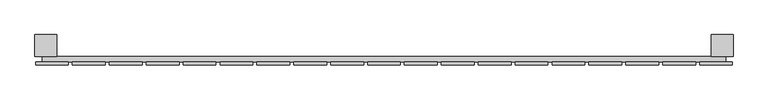
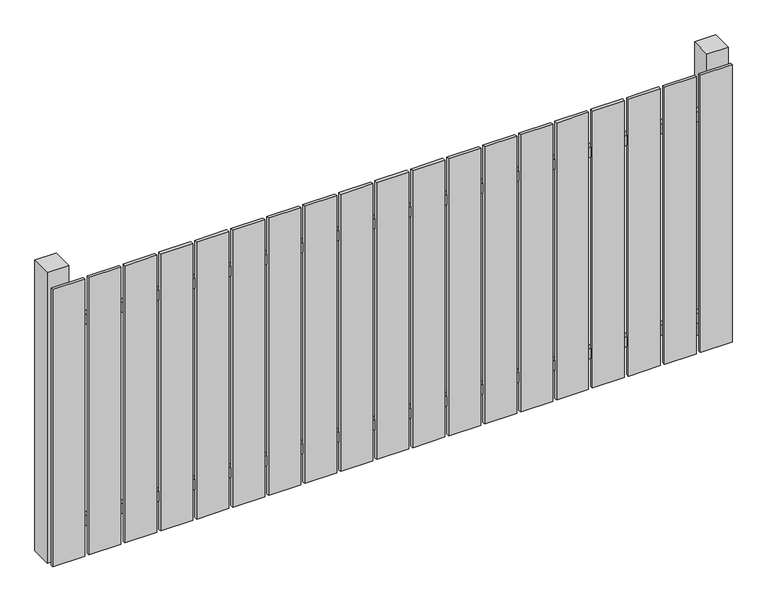
"""IFC4 building model written with IfcOpenShell, lengths in millimetres: railing geometry."""

import ifcopenshell
import ifcopenshell.guid

model = None  # the IFC model being written
_history = None  # IfcOwnerHistory: only IFC2X3 demands one
_inside = {}  # id of a spatial element -> (the spatial element, [elements in it])
_under = {}  # id of a project, library or spatial element -> (it, [spatial elements below it])
_declared = {}  # id of a project -> (the project, [libraries it declares])
_typed = {}  # id of a type object -> (the type object, [elements of that type])
_made_of = {}  # id of a material, layer set ... -> (it, [elements and type objects made of it])


def new_model(schema):
    """Start an empty IFC model of exactly this schema.

    Asked for "IFC4X3", IfcOpenShell would pick the latest addendum, in which some entities
    have other attributes; the version numbers below select the first issue.
    IFC2X3 requires an IfcOwnerHistory on every rooted entity: one is made here for all.
    """
    global model, _history
    if schema == "IFC4X3":
        model = ifcopenshell.file(schema_version=(4, 3, 0, 0))
    else:
        model = ifcopenshell.file(schema=schema)
    _inside.clear()
    _under.clear()
    _declared.clear()
    _typed.clear()
    _made_of.clear()
    _history = None
    if model.schema == "IFC2X3":
        org = make("IfcOrganization", Name="unknown")
        user = make(
            "IfcPersonAndOrganization",
            ThePerson=make("IfcPerson", FamilyName="unknown"),
            TheOrganization=org,
        )
        app = make(
            "IfcApplication",
            ApplicationDeveloper=org,
            Version="unknown",
            ApplicationFullName="unknown",
            ApplicationIdentifier="unknown",
        )
        _history = make(
            "IfcOwnerHistory",
            OwningUser=user,
            OwningApplication=app,
            ChangeAction="ADDED",
            CreationDate=0,
        )
    return model


def make(cls, **values):
    """One entity of the class cls with the attributes given. An attribute that is None is left unset."""
    return model.create_entity(
        cls, **{name: value for name, value in values.items() if value is not None}
    )


def rooted(cls, **values):
    """An entity with a GlobalId (a new one), such as an element, a storey or a relation."""
    return make(cls, GlobalId=ifcopenshell.guid.new(), OwnerHistory=_history, **values)


def si_unit(unit_type, name, prefix=None):
    """IfcSIUnit, for example si_unit("LENGTHUNIT", "METRE", prefix="MILLI")."""
    return make("IfcSIUnit", UnitType=unit_type, Prefix=prefix, Name=name)


def assignment(units):
    """IfcUnitAssignment: the units of a project."""
    return None if units is None else make("IfcUnitAssignment", Units=units)


def point(xyz):
    """IfcCartesianPoint."""
    return None if xyz is None else make("IfcCartesianPoint", Coordinates=xyz)


def direction(xyz):
    """IfcDirection."""
    return None if xyz is None else make("IfcDirection", DirectionRatios=xyz)


def frame(location, z_axis=None, x_axis=None):
    """IfcAxis2Placement3D, a coordinate frame: its origin and axes. An axis left out is left unset."""
    return make(
        "IfcAxis2Placement3D",
        Location=point(location),
        Axis=direction(z_axis),
        RefDirection=direction(x_axis),
    )


def origin():
    """The frame at (0, 0, 0) with its axes left unset."""
    return frame((0.0, 0.0, 0.0))


def origin_with_axes():
    """The frame at (0, 0, 0) with the z axis (0, 0, 1) and the x axis (1, 0, 0) written out."""
    return frame((0.0, 0.0, 0.0), z_axis=(0.0, 0.0, 1.0), x_axis=(1.0, 0.0, 0.0))


def place(relative_to, where):
    """IfcLocalPlacement: puts the frame where relative to a parent placement (None: the world)."""
    return make(
        "IfcLocalPlacement", PlacementRelTo=relative_to, RelativePlacement=where
    )


def context(
    kind, dimensions, precision=None, world=None, true_north=None, identifier=None
):
    """IfcGeometricRepresentationContext, for example the 3D "Model" context."""
    return make(
        "IfcGeometricRepresentationContext",
        ContextIdentifier=identifier,
        ContextType=kind,
        CoordinateSpaceDimension=dimensions,
        Precision=precision,
        WorldCoordinateSystem=world,
        TrueNorth=true_north,
    )


def project(units=None, contexts=None):
    """IfcProject with its units and contexts."""
    return rooted(
        "IfcProject",
        Name="project",
        RepresentationContexts=contexts,
        UnitsInContext=assignment(units),
    )


def spatial(cls, under=None, at=None, **own):
    """A site, building, storey or space (cls), placed at a placement, below another one or the project."""
    s = rooted(cls, ObjectPlacement=at, **own)
    if under is not None:
        _under.setdefault(under.id(), (under, []))[1].append(s)
    return s


def polyline(points):
    """IfcPolyline through the points."""
    return make("IfcPolyline", Points=[point(p) for p in points])


def outline(outer, holes=None, kind="AREA"):
    """IfcArbitraryClosedProfileDef: a profile drawn as a closed curve; with holes, ...WithVoids."""
    if holes is None:
        return make("IfcArbitraryClosedProfileDef", ProfileType=kind, OuterCurve=outer)
    return make(
        "IfcArbitraryProfileDefWithVoids",
        ProfileType=kind,
        OuterCurve=outer,
        InnerCurves=holes,
    )


def extrude(swept, where, along, depth):
    """IfcExtrudedAreaSolid: the profile swept, set in the frame where, extruded along a direction by depth."""
    return make(
        "IfcExtrudedAreaSolid",
        SweptArea=swept,
        Position=where,
        ExtrudedDirection=direction(along),
        Depth=depth,
    )


def shape(context_of_items, identifier, shape_type, items):
    """IfcShapeRepresentation: the items that make up one representation, for example the "Body"."""
    return make(
        "IfcShapeRepresentation",
        ContextOfItems=context_of_items,
        RepresentationIdentifier=identifier,
        RepresentationType=shape_type,
        Items=items,
    )


def source(mapping_origin, context_of_items, identifier, shape_type, items):
    """IfcRepresentationMap: a shape defined once, which mapped items show again and again."""
    return make(
        "IfcRepresentationMap",
        MappingOrigin=mapping_origin,
        MappedRepresentation=shape(context_of_items, identifier, shape_type, items),
    )


def transform(
    local_origin,
    x_axis=None,
    y_axis=None,
    z_axis=None,
    scale=None,
    scale2=None,
    scale3=None,
    uniform=True,
):
    """IfcCartesianTransformationOperator3D, or its non-uniform kind. x_axis, y_axis, z_axis: its Axis1, 2, 3."""
    if uniform:
        return make(
            "IfcCartesianTransformationOperator3D",
            Axis1=direction(x_axis),
            Axis2=direction(y_axis),
            LocalOrigin=point(local_origin),
            Scale=scale,
            Axis3=direction(z_axis),
        )
    return make(
        "IfcCartesianTransformationOperator3DnonUniform",
        Axis1=direction(x_axis),
        Axis2=direction(y_axis),
        LocalOrigin=point(local_origin),
        Scale=scale,
        Axis3=direction(z_axis),
        Scale2=scale2,
        Scale3=scale3,
    )


def mapped(mapping_source, mapping_target):
    """IfcMappedItem: shows the shape of a source again, moved by a transform."""
    return make(
        "IfcMappedItem", MappingSource=mapping_source, MappingTarget=mapping_target
    )


def made_of(thing, what):
    """Note that an element or type object is made of a material, layer set ...; save() writes the relation."""
    if what is not None:
        _made_of.setdefault(what.id(), (what, []))[1].append(thing)
    return thing


def element(
    cls,
    number,
    at=None,
    inside=None,
    cuts=None,
    type_object=None,
    material=None,
    context=None,
    identifier="Body",
    shape_type=None,
    held_by="IfcProductDefinitionShape",
    body=None,
    shapes=None,
    **own,
):
    """One element of the class cls, such as IfcWall. Its Tag is "e" and its number.

    at: its placement. inside: the storey or other place that contains it. cuts: it is an
    opening in that element (IfcRelVoidsElement). A single representation is given by context,
    identifier, shape_type and body (its items); several are given by shapes. held_by: the class
    of the entity that holds the representations. save() writes the other relations.
    """
    e = rooted(cls, Tag="e%d" % number, ObjectPlacement=at, **own)
    if body is not None:
        shapes = [shape(context, identifier, shape_type, body)]
    if shapes is not None:
        e.Representation = make(held_by, Representations=shapes)
    if inside is not None:
        _inside.setdefault(inside.id(), (inside, []))[1].append(e)
    if cuts is not None:
        rooted(
            "IfcRelVoidsElement", RelatingBuildingElement=cuts, RelatedOpeningElement=e
        )
    if type_object is not None:
        _typed.setdefault(type_object.id(), (type_object, []))[1].append(e)
    return made_of(e, material)


def aggregate(whole, parts):
    """IfcRelAggregates: a whole, such as a stair, and the parts it consists of."""
    return rooted("IfcRelAggregates", RelatingObject=whole, RelatedObjects=parts)


def save(model, path):
    """Write the relations noted so far, then the file.

    IfcRelAggregates (storeys below a building ...), IfcRelContainedInSpatialStructure (elements
    in a storey), IfcRelDefinesByType, IfcRelAssociatesMaterial and IfcRelDeclares: one each for
    every whole, place, type object, material and project.
    """
    for whole, parts in _under.values():
        aggregate(whole, parts)
    for where, things in _inside.values():
        rooted(
            "IfcRelContainedInSpatialStructure",
            RelatedElements=things,
            RelatingStructure=where,
        )
    for kind, things in _typed.values():
        rooted("IfcRelDefinesByType", RelatedObjects=things, RelatingType=kind)
    for what, things in _made_of.values():
        rooted("IfcRelAssociatesMaterial", RelatedObjects=things, RelatingMaterial=what)
    for by, libraries in _declared.values():
        rooted("IfcRelDeclares", RelatingContext=by, RelatedDefinitions=libraries)
    model.write(path)


def railing_6de560b3(model_context):
    return source(origin(), model_context, "Body", "SweptSolid", [
        extrude(outline(polyline([(6087.4299228, -95939.0267127), (6087.4299228, -95919.0267127), (8587.4299228, -95919.0267127), (8587.4299228, -95939.0267127), (6087.4299228, -95939.0267127)])), frame((0.0, 0.0, 110.0), z_axis=(0.0, 0.0, 1.0), x_axis=(1.0, 0.0, 0.0)), (0.0, 0.0, 1.0), 40.0),
        extrude(outline(polyline([(6087.4299228, -95939.0267127), (6087.4299228, -95919.0267127), (8587.4299228, -95919.0267127), (8587.4299228, -95939.0267127), (6087.4299228, -95939.0267127)])), frame((0.0, 0.0, 910.0), z_axis=(0.0, 0.0, 1.0), x_axis=(1.0, 0.0, 0.0)), (0.0, 0.0, 1.0), 40.0),
        extrude(outline(polyline([(8492.4299228, -95950.5267127), (8492.4299228, -95939.5267127), (8612.4299228, -95939.5267127), (8612.4299228, -95950.5267127), (8492.4299228, -95950.5267127)])), origin_with_axes(), (0.0, 0.0, 1.0), 1100.0),
        extrude(outline(polyline([(8357.4299228, -95950.5267127), (8357.4299228, -95939.5267127), (8477.4299228, -95939.5267127), (8477.4299228, -95950.5267127), (8357.4299228, -95950.5267127)])), origin_with_axes(), (0.0, 0.0, 1.0), 1100.0),
        extrude(outline(polyline([(8222.4299228, -95950.5267127), (8222.4299228, -95939.5267127), (8342.4299228, -95939.5267127), (8342.4299228, -95950.5267127), (8222.4299228, -95950.5267127)])), origin_with_axes(), (0.0, 0.0, 1.0), 1100.0),
        extrude(outline(polyline([(8087.4299228, -95950.5267127), (8087.4299228, -95939.5267127), (8207.4299228, -95939.5267127), (8207.4299228, -95950.5267127), (8087.4299228, -95950.5267127)])), origin_with_axes(), (0.0, 0.0, 1.0), 1100.0),
        extrude(outline(polyline([(7952.4299228, -95950.5267127), (7952.4299228, -95939.5267127), (8072.4299228, -95939.5267127), (8072.4299228, -95950.5267127), (7952.4299228, -95950.5267127)])), origin_with_axes(), (0.0, 0.0, 1.0), 1100.0),
        extrude(outline(polyline([(7817.4299228, -95950.5267127), (7817.4299228, -95939.5267127), (7937.4299228, -95939.5267127), (7937.4299228, -95950.5267127), (7817.4299228, -95950.5267127)])), origin_with_axes(), (0.0, 0.0, 1.0), 1100.0),
        extrude(outline(polyline([(7682.4299228, -95950.5267127), (7682.4299228, -95939.5267127), (7802.4299228, -95939.5267127), (7802.4299228, -95950.5267127), (7682.4299228, -95950.5267127)])), origin_with_axes(), (0.0, 0.0, 1.0), 1100.0),
        extrude(outline(polyline([(7547.4299228, -95950.5267127), (7547.4299228, -95939.5267127), (7667.4299228, -95939.5267127), (7667.4299228, -95950.5267127), (7547.4299228, -95950.5267127)])), origin_with_axes(), (0.0, 0.0, 1.0), 1100.0),
        extrude(outline(polyline([(7412.4299228, -95950.5267127), (7412.4299228, -95939.5267127), (7532.4299228, -95939.5267127), (7532.4299228, -95950.5267127), (7412.4299228, -95950.5267127)])), origin_with_axes(), (0.0, 0.0, 1.0), 1100.0),
        extrude(outline(polyline([(7277.4299228, -95950.5267127), (7277.4299228, -95939.5267127), (7397.4299228, -95939.5267127), (7397.4299228, -95950.5267127), (7277.4299228, -95950.5267127)])), origin_with_axes(), (0.0, 0.0, 1.0), 1100.0),
        extrude(outline(polyline([(7142.4299228, -95950.5267127), (7142.4299228, -95939.5267127), (7262.4299228, -95939.5267127), (7262.4299228, -95950.5267127), (7142.4299228, -95950.5267127)])), origin_with_axes(), (0.0, 0.0, 1.0), 1100.0),
        extrude(outline(polyline([(7007.4299228, -95950.5267127), (7007.4299228, -95939.5267127), (7127.4299228, -95939.5267127), (7127.4299228, -95950.5267127), (7007.4299228, -95950.5267127)])), origin_with_axes(), (0.0, 0.0, 1.0), 1100.0),
        extrude(outline(polyline([(6872.4299228, -95950.5267127), (6872.4299228, -95939.5267127), (6992.4299228, -95939.5267127), (6992.4299228, -95950.5267127), (6872.4299228, -95950.5267127)])), origin_with_axes(), (0.0, 0.0, 1.0), 1100.0),
        extrude(outline(polyline([(6737.4299228, -95950.5267127), (6737.4299228, -95939.5267127), (6857.4299228, -95939.5267127), (6857.4299228, -95950.5267127), (6737.4299228, -95950.5267127)])), origin_with_axes(), (0.0, 0.0, 1.0), 1100.0),
        extrude(outline(polyline([(6602.4299228, -95950.5267127), (6602.4299228, -95939.5267127), (6722.4299228, -95939.5267127), (6722.4299228, -95950.5267127), (6602.4299228, -95950.5267127)])), origin_with_axes(), (0.0, 0.0, 1.0), 1100.0),
        extrude(outline(polyline([(6467.4299228, -95950.5267127), (6467.4299228, -95939.5267127), (6587.4299228, -95939.5267127), (6587.4299228, -95950.5267127), (6467.4299228, -95950.5267127)])), origin_with_axes(), (0.0, 0.0, 1.0), 1100.0),
        extrude(outline(polyline([(6332.4299228, -95950.5267127), (6332.4299228, -95939.5267127), (6452.4299228, -95939.5267127), (6452.4299228, -95950.5267127), (6332.4299228, -95950.5267127)])), origin_with_axes(), (0.0, 0.0, 1.0), 1100.0),
        extrude(outline(polyline([(6197.4299228, -95950.5267127), (6197.4299228, -95939.5267127), (6317.4299228, -95939.5267127), (6317.4299228, -95950.5267127), (6197.4299228, -95950.5267127)])), origin_with_axes(), (0.0, 0.0, 1.0), 1100.0),
        extrude(outline(polyline([(6062.4299228, -95950.5267127), (6062.4299228, -95939.5267127), (6182.4299228, -95939.5267127), (6182.4299228, -95950.5267127), (6062.4299228, -95950.5267127)])), origin_with_axes(), (0.0, 0.0, 1.0), 1100.0),
        extrude(outline(polyline([(8534.9299228, -95839.0267127), (8614.9299228, -95839.0267127), (8614.9299228, -95919.0267127), (8534.9299228, -95919.0267127), (8534.9299228, -95839.0267127)])), frame((0.0, 0.0, -4.0), z_axis=(0.0, 0.0, 1.0), x_axis=(1.0, 0.0, 0.0)), (0.0, 0.0, 1.0), 1154.0),
        extrude(outline(polyline([(6059.9299228, -95839.0267127), (6139.9299228, -95839.0267127), (6139.9299228, -95919.0267127), (6059.9299228, -95919.0267127), (6059.9299228, -95839.0267127)])), frame((0.0, 0.0, -4.0), z_axis=(0.0, 0.0, 1.0), x_axis=(1.0, 0.0, 0.0)), (0.0, 0.0, 1.0), 1154.0),
    ])


if __name__ == "__main__":
    model = new_model("IFC4")
    model_context = context("Model", 3, world=origin())
    ifc_project = project(units=[si_unit("LENGTHUNIT", "METRE", prefix="MILLI")], contexts=[model_context])
    site = spatial("IfcSite", under=ifc_project)
    building = spatial("IfcBuilding", under=site)
    placement = place(None, origin())
    railing_shape = railing_6de560b3(model_context)
    element("IfcRailing", 1, at=placement, inside=building, context=model_context, shape_type="MappedRepresentation", body=[
        mapped(railing_shape, transform((0.0, 0.0, 0.0), x_axis=(1.0, 0.0, 0.0), y_axis=(0.0, 1.0, 0.0), z_axis=(0.0, 0.0, 1.0))),
    ])
    save(model, "model.ifc")
